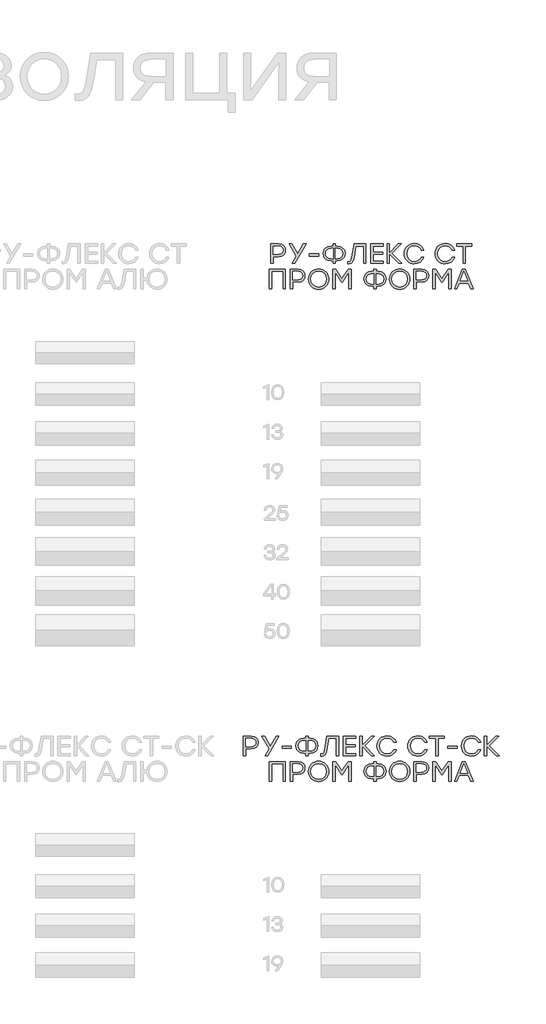
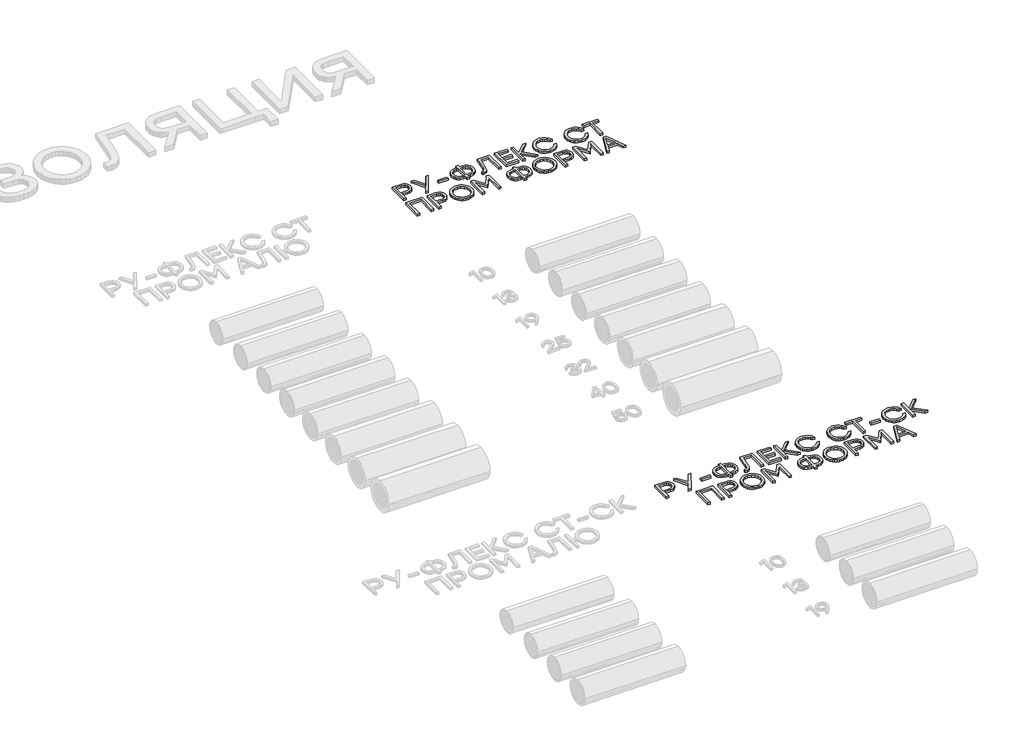
# One storey, part 41 of 41: 2 proxies.
"""IFC4 building model written with IfcOpenShell, lengths in millimetres."""

from ifc_helpers import new_model, si_unit, origin, origin_with_axes, place, context, project, spatial, polyline, outline, extrude, element, save

model = new_model("IFC4")

# Units and contexts
model_context = context("Model", 3, world=origin())
ifc_project = project(units=[si_unit("LENGTHUNIT", "METRE", prefix="MILLI")], contexts=[model_context])

# Site, building, storey
site = spatial("IfcSite", under=ifc_project)
building = spatial("IfcBuilding", under=site)
storey = spatial("IfcBuildingStorey", under=building, Elevation=0.0)

# Proxies
placement = place(None, origin())
element("IfcBuildingElementProxy", 1, Name="Generic Models", at=placement, inside=storey, context=model_context, shape_type="SweptSolid", body=[
    extrude(outline(polyline([(31610.1380532, -12363.4876334), (31639.157125, -12367.952106), (31661.0222829, -12381.3455237), (31674.7384336, -12401.7987249), (31679.3104838, -12427.4425478), (31674.6980919, -12453.4763398), (31660.8609164, -12474.3464044), (31638.9554169, -12488.0625551), (31610.1380532, -12492.6346053), (31553.5522079, -12492.6346053), (31553.5522079, -12563.4744896), (31529.8313355, -12563.4744896), (31529.8313355, -12363.4876334), (31610.1380532, -12363.4876334)]), holes=[polyline([(31609.277432, -12470.0432983), (31629.1456797, -12467.0445712), (31643.5678087, -12458.04839), (31652.342111, -12444.4801586), (31655.2668784, -12427.7652808), (31652.342111, -12411.1176391), (31643.5678087, -12397.7511157), (31629.1456797, -12388.9566426), (31609.277432, -12386.0251516), (31553.5522079, -12386.0251516), (31553.5522079, -12470.0432983), (31609.277432, -12470.0432983)])]), origin_with_axes(), (0.0, 0.0, 1.0), 20.0),
    extrude(outline(polyline([(31888.3338628, -12363.4876334), (31775.2159611, -12563.4744896), (31748.3753368, -12563.4744896), (31789.792733, -12490.9133629), (31716.9088734, -12363.4876334), (31743.8032865, -12363.4876334), (31802.9172066, -12465.471248), (31861.7621826, -12363.4876334), (31888.3338628, -12363.4876334)])), origin_with_axes(), (0.0, 0.0, 1.0), 20.0),
    extrude(outline(polyline([(32014.8989711, -12466.0629251), (32014.8989711, -12488.6004433), (31922.2746122, -12488.6004433), (31922.2746122, -12466.0629251), (32014.8989711, -12466.0629251)])), origin_with_axes(), (0.0, 0.0, 1.0), 20.0),
    extrude(outline(polyline([(32205.4727826, -12386.0251516), (32237.1207833, -12391.1350901), (32262.8923547, -12406.4649056), (32272.8819483, -12417.5672555), (32280.0173723, -12430.4345513), (32285.7257115, -12461.4639805), (32280.0509903, -12492.4934096), (32272.9575888, -12505.3607054), (32263.0268268, -12516.4630554), (32237.2888734, -12531.7928709), (32205.4727826, -12536.9028094), (32185.7322834, -12536.9028094), (32185.7322834, -12563.4744896), (32162.011411, -12563.4744896), (32162.011411, -12536.9028094), (32142.0557564, -12536.9028094), (32110.1993241, -12531.7928709), (32084.4479235, -12516.4630554), (32074.5171614, -12505.3607054), (32067.4237599, -12492.4934096), (32061.7490388, -12461.4639805), (32067.4641016, -12430.4345513), (32074.6079301, -12417.5672555), (32084.6092899, -12406.4649056), (32110.4010322, -12391.1350901), (32142.0557564, -12386.0251516), (32162.011411, -12386.0251516), (32162.011411, -12363.4876334), (32185.7322834, -12363.4876334), (32185.7322834, -12386.0251516), (32205.4727826, -12386.0251516)]), holes=[polyline([(32205.4727826, -12514.3115023), (32228.0775369, -12510.8488466), (32246.1909241, -12500.4608795), (32258.091702, -12483.7863434), (32262.0586279, -12461.4639805), (32258.091702, -12439.1416176), (32246.1909241, -12422.4670814), (32228.0775369, -12412.0791143), (32205.4727826, -12408.6164586), (32185.7322834, -12408.6164586), (32185.7322834, -12514.3115023), (32205.4727826, -12514.3115023)]), polyline([(32142.0557564, -12514.3115023), (32162.011411, -12514.3115023), (32162.011411, -12408.6164586), (32142.0557564, -12408.6164586), (32119.6527103, -12412.0791143), (32101.6065591, -12422.4670814), (32089.7057812, -12439.1416176), (32085.7388553, -12461.4639805), (32089.6654396, -12483.7863434), (32101.4451926, -12500.4608795), (32119.4510022, -12510.8488466), (32142.0557564, -12514.3115023)])]), origin_with_axes(), (0.0, 0.0, 1.0), 20.0),
    extrude(outline(polyline([(32375.3916849, -12363.4876334), (32495.6635005, -12363.4876334), (32495.6635005, -12563.4744896), (32471.9426281, -12563.4744896), (32471.9426281, -12386.0251516), (32395.3473395, -12386.0251516), (32376.2523061, -12502.3165941), (32369.1521811, -12532.3374827), (32359.3626147, -12552.044364), (32346.1574578, -12562.9567721), (32328.8105613, -12566.5942415), (32313.1042241, -12565.7336203), (32313.1042241, -12544.0567233), (32324.2385111, -12544.5946115), (32334.9357639, -12542.3085864), (32342.4998176, -12535.4505111), (32352.8003779, -12500.9180846), (32375.3916849, -12363.4876334)])), origin_with_axes(), (0.0, 0.0, 1.0), 20.0),
    extrude(outline(polyline([(32672.2522172, -12386.0251516), (32569.0852484, -12386.0251516), (32569.0852484, -12449.4959666), (32665.3672475, -12449.4959666), (32665.3672475, -12472.0334848), (32569.0852484, -12472.0334848), (32569.0852484, -12540.8831825), (32672.2522172, -12540.8831825), (32672.2522172, -12563.4744896), (32545.364376, -12563.4744896), (32545.364376, -12363.4876334), (32672.2522172, -12363.4876334), (32672.2522172, -12386.0251516)])), origin_with_axes(), (0.0, 0.0, 1.0), 20.0),
    extrude(outline(polyline([(32858.8994445, -12563.4744896), (32828.3473912, -12563.4744896), (32734.3245228, -12466.3318693), (32734.3245228, -12563.4744896), (32710.6036504, -12563.4744896), (32710.6036504, -12363.4876334), (32734.3245228, -12363.4876334), (32734.3245228, -12457.1877688), (32825.2276392, -12363.4876334), (32855.5107484, -12363.4876334), (32760.896203, -12461.4908749), (32858.8994445, -12563.4744896)])), origin_with_axes(), (0.0, 0.0, 1.0), 20.0),
    extrude(outline(polyline([(32987.9388388, -12566.5942415), (32966.7409985, -12564.755336), (32947.4156818, -12559.2386195), (32929.9628885, -12550.044092), (32914.3826188, -12537.1717535), (32901.5691119, -12521.5309713), (32892.4166069, -12504.0311129), (32886.9251039, -12484.6721781), (32885.0946029, -12463.4541671), (32886.9251039, -12442.236156), (32892.4166069, -12422.8772212), (32901.5691119, -12405.3773628), (32914.3826188, -12389.7365806), (32929.9628885, -12376.8642421), (32947.4156818, -12367.6697146), (32966.7409985, -12362.1529981), (32987.9388388, -12360.3140926), (33019.4187494, -12364.8525248), (33046.9451812, -12378.4678215), (33068.6893143, -12399.7211315), (33082.8223284, -12427.1736037), (33057.3802135, -12427.1736037), (33045.9164699, -12408.966086), (33029.8134401, -12394.9003079), (33010.0662172, -12385.9041267), (32987.6698946, -12382.9053997), (32956.7682139, -12388.6540805), (32931.51436, -12405.9001229), (32914.6919046, -12431.7927192), (32909.0844194, -12463.4810615), (32914.6919046, -12495.1694038), (32931.51436, -12521.062), (32956.7682139, -12538.3080424), (32987.6698946, -12544.0567233), (33010.0662172, -12541.0579962), (33029.8134401, -12532.061815), (33045.9164699, -12517.9825897), (33057.3802135, -12499.7347304), (33082.8223284, -12499.7347304), (33068.6893143, -12527.2208206), (33046.9451812, -12548.467407), (33019.4187494, -12562.0625329), (32987.9388388, -12566.5942415)])), origin_with_axes(), (0.0, 0.0, 1.0), 20.0),
    extrude(outline(polyline([(33301.2049631, -12566.5942415), (33280.0071229, -12564.755336), (33260.6818061, -12559.2386195), (33243.2290129, -12550.044092), (33227.6487432, -12537.1717535), (33214.8352362, -12521.5309713), (33205.6827312, -12504.0311129), (33200.1912282, -12484.6721781), (33198.3607273, -12463.4541671), (33200.1912282, -12442.236156), (33205.6827312, -12422.8772212), (33214.8352362, -12405.3773628), (33227.6487432, -12389.7365806), (33243.2290129, -12376.8642421), (33260.6818061, -12367.6697146), (33280.0071229, -12362.1529981), (33301.2049631, -12360.3140926), (33332.6848737, -12364.8525248), (33360.2113056, -12378.4678215), (33381.9554386, -12399.7211315), (33396.0884527, -12427.1736037), (33370.6463379, -12427.1736037), (33359.1825943, -12408.966086), (33343.0795644, -12394.9003079), (33323.3323416, -12385.9041267), (33300.936019, -12382.9053997), (33270.0343383, -12388.6540805), (33244.7804843, -12405.9001229), (33227.9580289, -12431.7927192), (33222.3505438, -12463.4810615), (33227.9580289, -12495.1694038), (33244.7804843, -12521.062), (33270.0343383, -12538.3080424), (33300.936019, -12544.0567233), (33323.3323416, -12541.0579962), (33343.0795644, -12532.061815), (33359.1825943, -12517.9825897), (33370.6463379, -12499.7347304), (33396.0884527, -12499.7347304), (33381.9554386, -12527.2208206), (33360.2113056, -12548.467407), (33332.6848737, -12562.0625329), (33301.2049631, -12566.5942415)])), origin_with_axes(), (0.0, 0.0, 1.0), 20.0),
    extrude(outline(polyline([(33571.0097158, -12363.4876334), (33571.0097158, -12386.0251516), (33506.4093355, -12386.0251516), (33506.4093355, -12563.4744896), (33482.4195189, -12563.4744896), (33482.4195189, -12386.0251516), (33418.1418715, -12386.0251516), (33418.1418715, -12363.4876334), (33571.0097158, -12363.4876334)])), origin_with_axes(), (0.0, 0.0, 1.0), 20.0),
    extrude(outline(polyline([(33698.2740789, -12466.0629251), (33698.2740789, -12488.6004433), (33605.64972, -12488.6004433), (33605.64972, -12466.0629251), (33698.2740789, -12466.0629251)])), origin_with_axes(), (0.0, 0.0, 1.0), 20.0),
    extrude(outline(polyline([(33845.1175747, -12566.5942415), (33823.9197344, -12564.755336), (33804.5944176, -12559.2386195), (33787.1416244, -12550.044092), (33771.5613547, -12537.1717535), (33758.7478477, -12521.5309713), (33749.5953428, -12504.0311129), (33744.1038398, -12484.6721781), (33742.2733388, -12463.4541671), (33744.1038398, -12442.236156), (33749.5953428, -12422.8772212), (33758.7478477, -12405.3773628), (33771.5613547, -12389.7365806), (33787.1416244, -12376.8642421), (33804.5944176, -12367.6697146), (33823.9197344, -12362.1529981), (33845.1175747, -12360.3140926), (33876.5974852, -12364.8525248), (33904.1239171, -12378.4678215), (33925.8680501, -12399.7211315), (33940.0010642, -12427.1736037), (33914.5589494, -12427.1736037), (33903.0952058, -12408.966086), (33886.9921759, -12394.9003079), (33867.2449531, -12385.9041267), (33844.8486305, -12382.9053997), (33813.9469498, -12388.6540805), (33788.6930959, -12405.9001229), (33771.8706404, -12431.7927192), (33766.2631553, -12463.4810615), (33771.8706404, -12495.1694038), (33788.6930959, -12521.062), (33813.9469498, -12538.3080424), (33844.8486305, -12544.0567233), (33867.2449531, -12541.0579962), (33886.9921759, -12532.061815), (33903.0952058, -12517.9825897), (33914.5589494, -12499.7347304), (33940.0010642, -12499.7347304), (33925.8680501, -12527.2208206), (33904.1239171, -12548.467407), (33876.5974852, -12562.0625329), (33845.1175747, -12566.5942415)])), origin_with_axes(), (0.0, 0.0, 1.0), 20.0),
    extrude(outline(polyline([(34125.7338814, -12563.4744896), (34095.1818281, -12563.4744896), (34001.1589597, -12466.3318693), (34001.1589597, -12563.4744896), (33977.4380873, -12563.4744896), (33977.4380873, -12363.4876334), (34001.1589597, -12363.4876334), (34001.1589597, -12457.1877688), (34092.0620762, -12363.4876334), (34122.3451854, -12363.4876334), (34027.7306399, -12461.4908749), (34125.7338814, -12563.4744896)])), origin_with_axes(), (0.0, 0.0, 1.0), 20.0),
    extrude(outline(polyline([(31954.9244297, -12622.0098764), (31954.9244297, -12821.9967326), (31931.2035573, -12821.9967326), (31931.2035573, -12644.5473946), (31815.181059, -12644.5473946), (31815.181059, -12821.9967326), (31791.4601866, -12821.9967326), (31791.4601866, -12622.0098764), (31815.181059, -12622.0098764), (31954.9244297, -12622.0098764)])), origin_with_axes(), (0.0, 0.0, 1.0), 20.0),
    extrude(outline(polyline([(32085.200967, -12622.0098764), (32114.2200388, -12626.474349), (32136.0851967, -12639.8677667), (32149.8013474, -12660.3209679), (32154.3733977, -12685.9647909), (32149.7610058, -12711.9985828), (32135.9238302, -12732.8686474), (32114.0183307, -12746.5847981), (32085.200967, -12751.1568483), (32028.6151218, -12751.1568483), (32028.6151218, -12821.9967326), (32004.8942494, -12821.9967326), (32004.8942494, -12622.0098764), (32085.200967, -12622.0098764)]), holes=[polyline([(32084.3403458, -12728.5655413), (32104.2085935, -12725.5668142), (32118.6307226, -12716.570633), (32127.4050249, -12703.0024016), (32130.3297923, -12686.2875238), (32127.4050249, -12669.6398821), (32118.6307226, -12656.2733587), (32104.2085935, -12647.4788856), (32084.3403458, -12644.5473946), (32028.6151218, -12644.5473946), (32028.6151218, -12728.5655413), (32084.3403458, -12728.5655413)])]), origin_with_axes(), (0.0, 0.0, 1.0), 20.0),
    extrude(outline(polyline([(32218.973778, -12648.4201901), (32234.7675222, -12635.4772538), (32252.2959559, -12626.2322993), (32271.5590793, -12620.6853265), (32292.5568924, -12618.8363356), (32313.5362156, -12620.6853265), (32332.7438693, -12626.2322993), (32350.1798535, -12635.4772538), (32365.8441682, -12648.4201901), (32378.7753383, -12664.1130802), (32388.0118883, -12681.6078959), (32393.5538183, -12700.9046374), (32395.4011283, -12722.0033045), (32393.5437329, -12743.1002907), (32387.9715467, -12762.3919894), (32378.6845696, -12779.8784007), (32365.6828018, -12795.5595244), (32349.9495701, -12808.4906945), (32332.4682015, -12817.7272445), (32313.2386961, -12823.2691745), (32292.2610539, -12825.1164845), (32271.2834116, -12823.2691745), (32252.0539062, -12817.7272445), (32234.5725377, -12808.4906945), (32218.839306, -12795.5595244), (32205.8375381, -12779.8784007), (32196.5505611, -12762.3919894), (32190.9783748, -12743.1002907), (32189.1209794, -12722.0033045), (32190.9867794, -12700.9046374), (32196.5841791, -12681.6078959), (32205.9131786, -12664.1130802), (32218.973778, -12648.4201901)]), holes=[polyline([(32292.2879483, -12641.4276427), (32261.480398, -12647.2099415), (32235.9710471, -12664.556838), (32218.8258588, -12690.4763287), (32213.110796, -12721.9764101), (32218.8258588, -12753.4832151), (32235.9710471, -12779.4228765), (32261.480398, -12796.7899438), (32292.2879483, -12802.5789663), (32323.256865, -12796.8302855), (32348.7124271, -12779.584243), (32365.7365906, -12753.6916468), (32371.4113118, -12722.0033045), (32365.7365906, -12690.3149622), (32348.7124271, -12664.4223659), (32323.256865, -12647.1763235), (32292.2879483, -12641.4276427)])]), origin_with_axes(), (0.0, 0.0, 1.0), 20.0),
    extrude(outline(polyline([(32593.2364314, -12622.0098764), (32622.3899753, -12622.0098764), (32622.3899753, -12821.9967326), (32598.6691029, -12821.9967326), (32598.6691029, -12652.5619297), (32530.9489706, -12754.8682773), (32528.6898399, -12754.8682773), (32460.9697075, -12652.5619297), (32460.9697075, -12821.9967326), (32437.2488351, -12821.9967326), (32437.2488351, -12622.0098764), (32466.402379, -12622.0098764), (32529.8194052, -12717.4312542), (32593.2364314, -12622.0098764)])), origin_with_axes(), (0.0, 0.0, 1.0), 20.0),
    extrude(outline(polyline([(32897.4122441, -12644.5473946), (32929.0602448, -12649.6573331), (32954.8318162, -12664.9871486), (32964.8214098, -12676.0894985), (32971.9568338, -12688.9567943), (32977.665173, -12719.9862235), (32971.9904518, -12751.0156527), (32964.8970503, -12763.8829485), (32954.9662883, -12774.9852984), (32929.2283349, -12790.3151139), (32897.4122441, -12795.4250524), (32877.6717449, -12795.4250524), (32877.6717449, -12821.9967326), (32853.9508725, -12821.9967326), (32853.9508725, -12795.4250524), (32833.9952179, -12795.4250524), (32802.1387855, -12790.3151139), (32776.387385, -12774.9852984), (32766.4566229, -12763.8829485), (32759.3632214, -12751.0156527), (32753.6885003, -12719.9862235), (32759.403563, -12688.9567943), (32766.5473915, -12676.0894985), (32776.5487514, -12664.9871486), (32802.3404936, -12649.6573331), (32833.9952179, -12644.5473946), (32853.9508725, -12644.5473946), (32853.9508725, -12622.0098764), (32877.6717449, -12622.0098764), (32877.6717449, -12644.5473946), (32897.4122441, -12644.5473946)]), holes=[polyline([(32833.9952179, -12772.8337453), (32853.9508725, -12772.8337453), (32853.9508725, -12667.1387017), (32833.9952179, -12667.1387017), (32811.5921718, -12670.6013573), (32793.5460205, -12680.9893244), (32781.6452427, -12697.6638606), (32777.6783168, -12719.9862235), (32781.6049011, -12742.3085864), (32793.3846541, -12758.9831226), (32811.3904637, -12769.3710896), (32833.9952179, -12772.8337453)]), polyline([(32897.4122441, -12772.8337453), (32920.0169984, -12769.3710896), (32938.1303856, -12758.9831226), (32950.0311634, -12742.3085864), (32953.9980894, -12719.9862235), (32950.0311634, -12697.6638606), (32938.1303856, -12680.9893244), (32920.0169984, -12670.6013573), (32897.4122441, -12667.1387017), (32877.6717449, -12667.1387017), (32877.6717449, -12772.8337453), (32897.4122441, -12772.8337453)])]), origin_with_axes(), (0.0, 0.0, 1.0), 20.0),
    extrude(outline(polyline([(33041.7276651, -12648.4201901), (33057.5214092, -12635.4772538), (33075.049843, -12626.2322993), (33094.3129664, -12620.6853265), (33115.3107795, -12618.8363356), (33136.2901026, -12620.6853265), (33155.4977563, -12626.2322993), (33172.9337405, -12635.4772538), (33188.5980553, -12648.4201901), (33201.5292253, -12664.1130802), (33210.7657753, -12681.6078959), (33216.3077053, -12700.9046374), (33218.1550153, -12722.0033045), (33216.2976199, -12743.1002907), (33210.7254337, -12762.3919894), (33201.4384567, -12779.8784007), (33188.4366888, -12795.5595244), (33172.7034571, -12808.4906945), (33155.2220886, -12817.7272445), (33135.9925832, -12823.2691745), (33115.0149409, -12825.1164845), (33094.0372987, -12823.2691745), (33074.8077932, -12817.7272445), (33057.3264247, -12808.4906945), (33041.593193, -12795.5595244), (33028.5914252, -12779.8784007), (33019.3044481, -12762.3919894), (33013.7322619, -12743.1002907), (33011.8748665, -12722.0033045), (33013.7406664, -12700.9046374), (33019.3380661, -12681.6078959), (33028.6670657, -12664.1130802), (33041.7276651, -12648.4201901)]), holes=[polyline([(33115.0418353, -12641.4276427), (33084.2342851, -12647.2099415), (33058.7249342, -12664.556838), (33041.5797458, -12690.4763287), (33035.864683, -12721.9764101), (33041.5797458, -12753.4832151), (33058.7249342, -12779.4228765), (33084.2342851, -12796.7899438), (33115.0418353, -12802.5789663), (33146.0107521, -12796.8302855), (33171.4663141, -12779.584243), (33188.4904776, -12753.6916468), (33194.1651988, -12722.0033045), (33188.4904776, -12690.3149622), (33171.4663141, -12664.4223659), (33146.0107521, -12647.1763235), (33115.0418353, -12641.4276427)])]), origin_with_axes(), (0.0, 0.0, 1.0), 20.0),
    extrude(outline(polyline([(33341.7079493, -12622.0098764), (33370.7270211, -12626.474349), (33392.592179, -12639.8677667), (33406.3083297, -12660.3209679), (33410.88038, -12685.9647909), (33406.2679881, -12711.9985828), (33392.4308125, -12732.8686474), (33370.525313, -12746.5847981), (33341.7079493, -12751.1568483), (33285.1221041, -12751.1568483), (33285.1221041, -12821.9967326), (33261.4012317, -12821.9967326), (33261.4012317, -12622.0098764), (33341.7079493, -12622.0098764)]), holes=[polyline([(33340.8473281, -12728.5655413), (33360.7155758, -12725.5668142), (33375.1377049, -12716.570633), (33383.9120072, -12703.0024016), (33386.8367746, -12686.2875238), (33383.9120072, -12669.6398821), (33375.1377049, -12656.2733587), (33360.7155758, -12647.4788856), (33340.8473281, -12644.5473946), (33285.1221041, -12644.5473946), (33285.1221041, -12728.5655413), (33340.8473281, -12728.5655413)])]), origin_with_axes(), (0.0, 0.0, 1.0), 20.0),
    extrude(outline(polyline([(33608.7694719, -12622.0098764), (33637.9230158, -12622.0098764), (33637.9230158, -12821.9967326), (33614.2021434, -12821.9967326), (33614.2021434, -12652.5619297), (33546.4820111, -12754.8682773), (33544.2228803, -12754.8682773), (33476.502748, -12652.5619297), (33476.502748, -12821.9967326), (33452.7818756, -12821.9967326), (33452.7818756, -12622.0098764), (33481.9354195, -12622.0098764), (33545.3524457, -12717.4312542), (33608.7694719, -12622.0098764)])), origin_with_axes(), (0.0, 0.0, 1.0), 20.0),
    extrude(outline(polyline([(33838.2863937, -12821.9967326), (33814.5655213, -12761.9684024), (33721.7260071, -12761.9684024), (33698.0051347, -12821.9967326), (33672.8857528, -12821.9967326), (33752.8697376, -12622.0098764), (33783.4217909, -12622.0098764), (33863.4595644, -12821.9967326), (33838.2863937, -12821.9967326)]), holes=[polyline([(33730.8701076, -12739.4308842), (33805.7441538, -12739.4308842), (33768.3071307, -12644.5473946), (33730.8701076, -12739.4308842)])]), origin_with_axes(), (0.0, 0.0, 1.0), 20.0),
])
element("IfcBuildingElementProxy", 2, Name="Generic Models", at=placement, inside=storey, context=model_context, shape_type="SweptSolid", body=[
    extrude(outline(polyline([(31887.2580863, -7363.4876334), (31916.277158, -7367.952106), (31938.1423159, -7381.3455237), (31951.8584666, -7401.7987249), (31956.4305169, -7427.4425478), (31951.818125, -7453.4763398), (31937.9809495, -7474.3464044), (31916.0754499, -7488.0625551), (31887.2580863, -7492.6346053), (31830.672241, -7492.6346053), (31830.672241, -7563.4744896), (31806.9513686, -7563.4744896), (31806.9513686, -7363.4876334), (31887.2580863, -7363.4876334)]), holes=[polyline([(31886.397465, -7470.0432983), (31906.2657128, -7467.0445712), (31920.6878418, -7458.04839), (31929.4621441, -7444.4801586), (31932.3869115, -7427.7652808), (31929.4621441, -7411.1176391), (31920.6878418, -7397.7511157), (31906.2657128, -7388.9566426), (31886.397465, -7386.0251516), (31830.672241, -7386.0251516), (31830.672241, -7470.0432983), (31886.397465, -7470.0432983)])]), origin_with_axes(), (0.0, 0.0, 1.0), 20.0),
    extrude(outline(polyline([(32165.4538959, -7363.4876334), (32052.3359942, -7563.4744896), (32025.4953698, -7563.4744896), (32066.9127661, -7490.9133629), (31994.0289065, -7363.4876334), (32020.9233196, -7363.4876334), (32080.0372397, -7465.471248), (32138.8822157, -7363.4876334), (32165.4538959, -7363.4876334)])), origin_with_axes(), (0.0, 0.0, 1.0), 20.0),
    extrude(outline(polyline([(32292.0190041, -7466.0629251), (32292.0190041, -7488.6004433), (32199.3946453, -7488.6004433), (32199.3946453, -7466.0629251), (32292.0190041, -7466.0629251)])), origin_with_axes(), (0.0, 0.0, 1.0), 20.0),
    extrude(outline(polyline([(32482.5928157, -7386.0251516), (32514.2408164, -7391.1350901), (32540.0123878, -7406.4649056), (32550.0019814, -7417.5672555), (32557.1374054, -7430.4345513), (32562.8457446, -7461.4639805), (32557.1710234, -7492.4934096), (32550.0776219, -7505.3607054), (32540.1468599, -7516.4630554), (32514.4089065, -7531.7928709), (32482.5928157, -7536.9028094), (32462.8523165, -7536.9028094), (32462.8523165, -7563.4744896), (32439.1314441, -7563.4744896), (32439.1314441, -7536.9028094), (32419.1757895, -7536.9028094), (32387.3193571, -7531.7928709), (32361.5679565, -7516.4630554), (32351.6371945, -7505.3607054), (32344.543793, -7492.4934096), (32338.8690719, -7461.4639805), (32344.5841346, -7430.4345513), (32351.7279631, -7417.5672555), (32361.729323, -7406.4649056), (32387.5210652, -7391.1350901), (32419.1757895, -7386.0251516), (32439.1314441, -7386.0251516), (32439.1314441, -7363.4876334), (32462.8523165, -7363.4876334), (32462.8523165, -7386.0251516), (32482.5928157, -7386.0251516)]), holes=[polyline([(32482.5928157, -7514.3115023), (32505.19757, -7510.8488466), (32523.3109572, -7500.4608795), (32535.211735, -7483.7863434), (32539.178661, -7461.4639805), (32535.211735, -7439.1416176), (32523.3109572, -7422.4670814), (32505.19757, -7412.0791143), (32482.5928157, -7408.6164586), (32462.8523165, -7408.6164586), (32462.8523165, -7514.3115023), (32482.5928157, -7514.3115023)]), polyline([(32419.1757895, -7514.3115023), (32439.1314441, -7514.3115023), (32439.1314441, -7408.6164586), (32419.1757895, -7408.6164586), (32396.7727434, -7412.0791143), (32378.7265921, -7422.4670814), (32366.8258143, -7439.1416176), (32362.8588884, -7461.4639805), (32366.7854727, -7483.7863434), (32378.5652257, -7500.4608795), (32396.5710353, -7510.8488466), (32419.1757895, -7514.3115023)])]), origin_with_axes(), (0.0, 0.0, 1.0), 20.0),
    extrude(outline(polyline([(32652.511718, -7363.4876334), (32772.7835336, -7363.4876334), (32772.7835336, -7563.4744896), (32749.0626612, -7563.4744896), (32749.0626612, -7386.0251516), (32672.4673725, -7386.0251516), (32653.3723392, -7502.3165941), (32646.2722141, -7532.3374827), (32636.4826478, -7552.044364), (32623.2774909, -7562.9567721), (32605.9305944, -7566.5942415), (32590.2242571, -7565.7336203), (32590.2242571, -7544.0567233), (32601.3585442, -7544.5946115), (32612.055797, -7542.3085864), (32619.6198507, -7535.4505111), (32629.9204109, -7500.9180846), (32652.511718, -7363.4876334)])), origin_with_axes(), (0.0, 0.0, 1.0), 20.0),
    extrude(outline(polyline([(32949.3722503, -7386.0251516), (32846.2052815, -7386.0251516), (32846.2052815, -7449.4959666), (32942.4872806, -7449.4959666), (32942.4872806, -7472.0334848), (32846.2052815, -7472.0334848), (32846.2052815, -7540.8831825), (32949.3722503, -7540.8831825), (32949.3722503, -7563.4744896), (32822.4844091, -7563.4744896), (32822.4844091, -7363.4876334), (32949.3722503, -7363.4876334), (32949.3722503, -7386.0251516)])), origin_with_axes(), (0.0, 0.0, 1.0), 20.0),
    extrude(outline(polyline([(33136.0194776, -7563.4744896), (33105.4674242, -7563.4744896), (33011.4445559, -7466.3318693), (33011.4445559, -7563.4744896), (32987.7236835, -7563.4744896), (32987.7236835, -7363.4876334), (33011.4445559, -7363.4876334), (33011.4445559, -7457.1877688), (33102.3476723, -7363.4876334), (33132.6307815, -7363.4876334), (33038.0162361, -7461.4908749), (33136.0194776, -7563.4744896)])), origin_with_axes(), (0.0, 0.0, 1.0), 20.0),
    extrude(outline(polyline([(33265.0588719, -7566.5942415), (33243.8610316, -7564.755336), (33224.5357149, -7559.2386195), (33207.0829216, -7550.044092), (33191.5026519, -7537.1717535), (33178.6891449, -7521.5309713), (33169.53664, -7504.0311129), (33164.045137, -7484.6721781), (33162.214636, -7463.4541671), (33164.045137, -7442.236156), (33169.53664, -7422.8772212), (33178.6891449, -7405.3773628), (33191.5026519, -7389.7365806), (33207.0829216, -7376.8642421), (33224.5357149, -7367.6697146), (33243.8610316, -7362.1529981), (33265.0588719, -7360.3140926), (33296.5387825, -7364.8525248), (33324.0652143, -7378.4678215), (33345.8093473, -7399.7211315), (33359.9423615, -7427.1736037), (33334.5002466, -7427.1736037), (33323.036503, -7408.966086), (33306.9334731, -7394.9003079), (33287.1862503, -7385.9041267), (33264.7899277, -7382.9053997), (33233.888247, -7388.6540805), (33208.6343931, -7405.9001229), (33191.8119377, -7431.7927192), (33186.2044525, -7463.4810615), (33191.8119377, -7495.1694038), (33208.6343931, -7521.062), (33233.888247, -7538.3080424), (33264.7899277, -7544.0567233), (33287.1862503, -7541.0579962), (33306.9334731, -7532.061815), (33323.036503, -7517.9825897), (33334.5002466, -7499.7347304), (33359.9423615, -7499.7347304), (33345.8093473, -7527.2208206), (33324.0652143, -7548.467407), (33296.5387825, -7562.0625329), (33265.0588719, -7566.5942415)])), origin_with_axes(), (0.0, 0.0, 1.0), 20.0),
    extrude(outline(polyline([(33578.3249962, -7566.5942415), (33557.127156, -7564.755336), (33537.8018392, -7559.2386195), (33520.349046, -7550.044092), (33504.7687763, -7537.1717535), (33491.9552693, -7521.5309713), (33482.8027643, -7504.0311129), (33477.3112613, -7484.6721781), (33475.4807603, -7463.4541671), (33477.3112613, -7442.236156), (33482.8027643, -7422.8772212), (33491.9552693, -7405.3773628), (33504.7687763, -7389.7365806), (33520.349046, -7376.8642421), (33537.8018392, -7367.6697146), (33557.127156, -7362.1529981), (33578.3249962, -7360.3140926), (33609.8049068, -7364.8525248), (33637.3313387, -7378.4678215), (33659.0754717, -7399.7211315), (33673.2084858, -7427.1736037), (33647.766371, -7427.1736037), (33636.3026274, -7408.966086), (33620.1995975, -7394.9003079), (33600.4523746, -7385.9041267), (33578.0560521, -7382.9053997), (33547.1543714, -7388.6540805), (33521.9005174, -7405.9001229), (33505.078062, -7431.7927192), (33499.4705769, -7463.4810615), (33505.078062, -7495.1694038), (33521.9005174, -7521.062), (33547.1543714, -7538.3080424), (33578.0560521, -7544.0567233), (33600.4523746, -7541.0579962), (33620.1995975, -7532.061815), (33636.3026274, -7517.9825897), (33647.766371, -7499.7347304), (33673.2084858, -7499.7347304), (33659.0754717, -7527.2208206), (33637.3313387, -7548.467407), (33609.8049068, -7562.0625329), (33578.3249962, -7566.5942415)])), origin_with_axes(), (0.0, 0.0, 1.0), 20.0),
    extrude(outline(polyline([(33848.1297489, -7363.4876334), (33848.1297489, -7386.0251516), (33783.5293685, -7386.0251516), (33783.5293685, -7563.4744896), (33759.539552, -7563.4744896), (33759.539552, -7386.0251516), (33695.2619046, -7386.0251516), (33695.2619046, -7363.4876334), (33848.1297489, -7363.4876334)])), origin_with_axes(), (0.0, 0.0, 1.0), 20.0),
    extrude(outline(polyline([(31954.9244297, -7622.0098764), (31954.9244297, -7821.9967326), (31931.2035573, -7821.9967326), (31931.2035573, -7644.5473946), (31815.181059, -7644.5473946), (31815.181059, -7821.9967326), (31791.4601866, -7821.9967326), (31791.4601866, -7622.0098764), (31815.181059, -7622.0098764), (31954.9244297, -7622.0098764)])), origin_with_axes(), (0.0, 0.0, 1.0), 20.0),
    extrude(outline(polyline([(32085.200967, -7622.0098764), (32114.2200388, -7626.474349), (32136.0851967, -7639.8677667), (32149.8013474, -7660.3209679), (32154.3733977, -7685.9647909), (32149.7610058, -7711.9985828), (32135.9238302, -7732.8686474), (32114.0183307, -7746.5847981), (32085.200967, -7751.1568483), (32028.6151218, -7751.1568483), (32028.6151218, -7821.9967326), (32004.8942494, -7821.9967326), (32004.8942494, -7622.0098764), (32085.200967, -7622.0098764)]), holes=[polyline([(32084.3403458, -7728.5655413), (32104.2085935, -7725.5668142), (32118.6307226, -7716.570633), (32127.4050249, -7703.0024016), (32130.3297923, -7686.2875238), (32127.4050249, -7669.6398821), (32118.6307226, -7656.2733587), (32104.2085935, -7647.4788856), (32084.3403458, -7644.5473946), (32028.6151218, -7644.5473946), (32028.6151218, -7728.5655413), (32084.3403458, -7728.5655413)])]), origin_with_axes(), (0.0, 0.0, 1.0), 20.0),
    extrude(outline(polyline([(32218.973778, -7648.4201901), (32234.7675222, -7635.4772538), (32252.2959559, -7626.2322993), (32271.5590793, -7620.6853265), (32292.5568924, -7618.8363356), (32313.5362156, -7620.6853265), (32332.7438693, -7626.2322993), (32350.1798535, -7635.4772538), (32365.8441682, -7648.4201901), (32378.7753383, -7664.1130802), (32388.0118883, -7681.6078959), (32393.5538183, -7700.9046374), (32395.4011283, -7722.0033045), (32393.5437329, -7743.1002907), (32387.9715467, -7762.3919894), (32378.6845696, -7779.8784007), (32365.6828018, -7795.5595244), (32349.9495701, -7808.4906945), (32332.4682015, -7817.7272445), (32313.2386961, -7823.2691745), (32292.2610539, -7825.1164845), (32271.2834116, -7823.2691745), (32252.0539062, -7817.7272445), (32234.5725377, -7808.4906945), (32218.839306, -7795.5595244), (32205.8375381, -7779.8784007), (32196.5505611, -7762.3919894), (32190.9783748, -7743.1002907), (32189.1209794, -7722.0033045), (32190.9867794, -7700.9046374), (32196.5841791, -7681.6078959), (32205.9131786, -7664.1130802), (32218.973778, -7648.4201901)]), holes=[polyline([(32292.2879483, -7641.4276427), (32261.480398, -7647.2099415), (32235.9710471, -7664.556838), (32218.8258588, -7690.4763287), (32213.110796, -7721.9764101), (32218.8258588, -7753.4832151), (32235.9710471, -7779.4228765), (32261.480398, -7796.7899438), (32292.2879483, -7802.5789663), (32323.256865, -7796.8302855), (32348.7124271, -7779.584243), (32365.7365906, -7753.6916468), (32371.4113118, -7722.0033045), (32365.7365906, -7690.3149622), (32348.7124271, -7664.4223659), (32323.256865, -7647.1763235), (32292.2879483, -7641.4276427)])]), origin_with_axes(), (0.0, 0.0, 1.0), 20.0),
    extrude(outline(polyline([(32593.2364314, -7622.0098764), (32622.3899753, -7622.0098764), (32622.3899753, -7821.9967326), (32598.6691029, -7821.9967326), (32598.6691029, -7652.5619297), (32530.9489706, -7754.8682773), (32528.6898399, -7754.8682773), (32460.9697075, -7652.5619297), (32460.9697075, -7821.9967326), (32437.2488351, -7821.9967326), (32437.2488351, -7622.0098764), (32466.402379, -7622.0098764), (32529.8194052, -7717.4312542), (32593.2364314, -7622.0098764)])), origin_with_axes(), (0.0, 0.0, 1.0), 20.0),
    extrude(outline(polyline([(32897.4122441, -7644.5473946), (32929.0602448, -7649.6573331), (32954.8318162, -7664.9871486), (32964.8214098, -7676.0894985), (32971.9568338, -7688.9567943), (32977.665173, -7719.9862235), (32971.9904518, -7751.0156527), (32964.8970503, -7763.8829485), (32954.9662883, -7774.9852984), (32929.2283349, -7790.3151139), (32897.4122441, -7795.4250524), (32877.6717449, -7795.4250524), (32877.6717449, -7821.9967326), (32853.9508725, -7821.9967326), (32853.9508725, -7795.4250524), (32833.9952179, -7795.4250524), (32802.1387855, -7790.3151139), (32776.387385, -7774.9852984), (32766.4566229, -7763.8829485), (32759.3632214, -7751.0156527), (32753.6885003, -7719.9862235), (32759.403563, -7688.9567943), (32766.5473915, -7676.0894985), (32776.5487514, -7664.9871486), (32802.3404936, -7649.6573331), (32833.9952179, -7644.5473946), (32853.9508725, -7644.5473946), (32853.9508725, -7622.0098764), (32877.6717449, -7622.0098764), (32877.6717449, -7644.5473946), (32897.4122441, -7644.5473946)]), holes=[polyline([(32833.9952179, -7772.8337453), (32853.9508725, -7772.8337453), (32853.9508725, -7667.1387017), (32833.9952179, -7667.1387017), (32811.5921718, -7670.6013573), (32793.5460205, -7680.9893244), (32781.6452427, -7697.6638606), (32777.6783168, -7719.9862235), (32781.6049011, -7742.3085864), (32793.3846541, -7758.9831226), (32811.3904637, -7769.3710896), (32833.9952179, -7772.8337453)]), polyline([(32897.4122441, -7772.8337453), (32920.0169984, -7769.3710896), (32938.1303856, -7758.9831226), (32950.0311634, -7742.3085864), (32953.9980894, -7719.9862235), (32950.0311634, -7697.6638606), (32938.1303856, -7680.9893244), (32920.0169984, -7670.6013573), (32897.4122441, -7667.1387017), (32877.6717449, -7667.1387017), (32877.6717449, -7772.8337453), (32897.4122441, -7772.8337453)])]), origin_with_axes(), (0.0, 0.0, 1.0), 20.0),
    extrude(outline(polyline([(33041.7276651, -7648.4201901), (33057.5214092, -7635.4772538), (33075.049843, -7626.2322993), (33094.3129664, -7620.6853265), (33115.3107795, -7618.8363356), (33136.2901026, -7620.6853265), (33155.4977563, -7626.2322993), (33172.9337405, -7635.4772538), (33188.5980553, -7648.4201901), (33201.5292253, -7664.1130802), (33210.7657753, -7681.6078959), (33216.3077053, -7700.9046374), (33218.1550153, -7722.0033045), (33216.2976199, -7743.1002907), (33210.7254337, -7762.3919894), (33201.4384567, -7779.8784007), (33188.4366888, -7795.5595244), (33172.7034571, -7808.4906945), (33155.2220886, -7817.7272445), (33135.9925832, -7823.2691745), (33115.0149409, -7825.1164845), (33094.0372987, -7823.2691745), (33074.8077932, -7817.7272445), (33057.3264247, -7808.4906945), (33041.593193, -7795.5595244), (33028.5914252, -7779.8784007), (33019.3044481, -7762.3919894), (33013.7322619, -7743.1002907), (33011.8748665, -7722.0033045), (33013.7406664, -7700.9046374), (33019.3380661, -7681.6078959), (33028.6670657, -7664.1130802), (33041.7276651, -7648.4201901)]), holes=[polyline([(33115.0418353, -7641.4276427), (33084.2342851, -7647.2099415), (33058.7249342, -7664.556838), (33041.5797458, -7690.4763287), (33035.864683, -7721.9764101), (33041.5797458, -7753.4832151), (33058.7249342, -7779.4228765), (33084.2342851, -7796.7899438), (33115.0418353, -7802.5789663), (33146.0107521, -7796.8302855), (33171.4663141, -7779.584243), (33188.4904776, -7753.6916468), (33194.1651988, -7722.0033045), (33188.4904776, -7690.3149622), (33171.4663141, -7664.4223659), (33146.0107521, -7647.1763235), (33115.0418353, -7641.4276427)])]), origin_with_axes(), (0.0, 0.0, 1.0), 20.0),
    extrude(outline(polyline([(33341.7079493, -7622.0098764), (33370.7270211, -7626.474349), (33392.592179, -7639.8677667), (33406.3083297, -7660.3209679), (33410.88038, -7685.9647909), (33406.2679881, -7711.9985828), (33392.4308125, -7732.8686474), (33370.525313, -7746.5847981), (33341.7079493, -7751.1568483), (33285.1221041, -7751.1568483), (33285.1221041, -7821.9967326), (33261.4012317, -7821.9967326), (33261.4012317, -7622.0098764), (33341.7079493, -7622.0098764)]), holes=[polyline([(33340.8473281, -7728.5655413), (33360.7155758, -7725.5668142), (33375.1377049, -7716.570633), (33383.9120072, -7703.0024016), (33386.8367746, -7686.2875238), (33383.9120072, -7669.6398821), (33375.1377049, -7656.2733587), (33360.7155758, -7647.4788856), (33340.8473281, -7644.5473946), (33285.1221041, -7644.5473946), (33285.1221041, -7728.5655413), (33340.8473281, -7728.5655413)])]), origin_with_axes(), (0.0, 0.0, 1.0), 20.0),
    extrude(outline(polyline([(33608.7694719, -7622.0098764), (33637.9230158, -7622.0098764), (33637.9230158, -7821.9967326), (33614.2021434, -7821.9967326), (33614.2021434, -7652.5619297), (33546.4820111, -7754.8682773), (33544.2228803, -7754.8682773), (33476.502748, -7652.5619297), (33476.502748, -7821.9967326), (33452.7818756, -7821.9967326), (33452.7818756, -7622.0098764), (33481.9354195, -7622.0098764), (33545.3524457, -7717.4312542), (33608.7694719, -7622.0098764)])), origin_with_axes(), (0.0, 0.0, 1.0), 20.0),
    extrude(outline(polyline([(33838.2863937, -7821.9967326), (33814.5655213, -7761.9684024), (33721.7260071, -7761.9684024), (33698.0051347, -7821.9967326), (33672.8857528, -7821.9967326), (33752.8697376, -7622.0098764), (33783.4217909, -7622.0098764), (33863.4595644, -7821.9967326), (33838.2863937, -7821.9967326)]), holes=[polyline([(33730.8701076, -7739.4308842), (33805.7441538, -7739.4308842), (33768.3071307, -7644.5473946), (33730.8701076, -7739.4308842)])]), origin_with_axes(), (0.0, 0.0, 1.0), 20.0),
])

save(model, "model.ifc")
